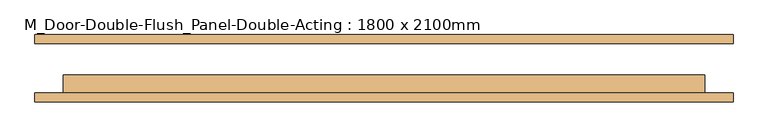
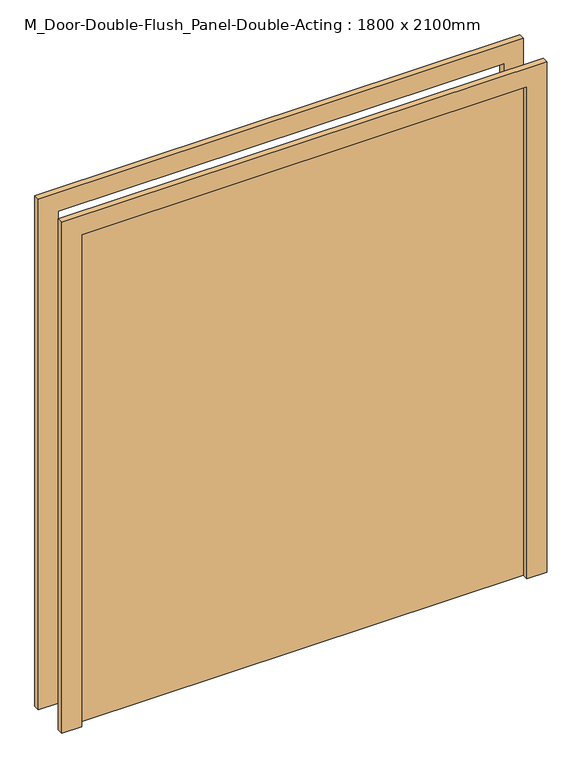
"""IFC4 building model written with IfcOpenShell, lengths in millimetres: door geometry, M_Door-Double-Flush_Panel-Double-Acting : 1800 x 2100mm."""

from ifc_helpers import new_model, si_unit, frame, origin, origin_with_axes, place, context, project, spatial, polyline, outline, extrude, source, transform, mapped, element, save


def m_door_double_flush_panel_double_acting_1800_x_2100mm_56869130(model_context):
    return source(origin(), model_context, "Body", "SweptSolid", [
        extrude(outline(polyline([(2180.0, -980.0), (0.0, -980.0), (0.0, -900.0), (2100.0, -900.0), (2100.0, 900.0), (0.0, 900.0), (0.0, 980.0), (2180.0, 980.0), (2180.0, -980.0)])), frame((0.0, -94.25, 0.0), z_axis=(0.0, 1.0, 0.0), x_axis=(0.0, 0.0, 1.0)), (0.0, 0.0, 1.0), 25.0),
        extrude(outline(polyline([(2100.0, -900.0), (2100.0, 900.0), (0.0, 900.0), (0.0, 980.0), (2180.0, 980.0), (2180.0, -980.0), (0.0, -980.0), (0.0, -900.0), (2100.0, -900.0)])), frame((0.0, 69.25, 0.0), z_axis=(0.0, 1.0, 0.0), x_axis=(0.0, 0.0, 1.0)), (0.0, 0.0, 1.0), 25.0),
        extrude(outline(polyline([(-900.0, -69.25), (-900.0, -19.25), (900.0, -19.25), (900.0, -69.25), (-900.0, -69.25)])), origin_with_axes(), (0.0, 0.0, 1.0), 2100.0),
    ])


if __name__ == "__main__":
    model = new_model("IFC4")
    model_context = context("Model", 3, world=origin())
    ifc_project = project(units=[si_unit("LENGTHUNIT", "METRE", prefix="MILLI")], contexts=[model_context])
    site = spatial("IfcSite", under=ifc_project)
    building = spatial("IfcBuilding", under=site)
    placement = place(None, origin())
    m_door_double_flush_panel_double_acting_1800_x_2100mm_shape = m_door_double_flush_panel_double_acting_1800_x_2100mm_56869130(model_context)
    element("IfcDoor", 1, ObjectType="M_Door-Double-Flush_Panel-Double-Acting : 1800 x 2100mm", at=placement, inside=building, context=model_context, shape_type="MappedRepresentation", body=[
        mapped(m_door_double_flush_panel_double_acting_1800_x_2100mm_shape, transform((0.0, 0.0, 0.0), x_axis=(1.0, 0.0, 0.0), y_axis=(0.0, 1.0, 0.0), z_axis=(0.0, 0.0, 1.0))),
    ])
    save(model, "model.ifc")
